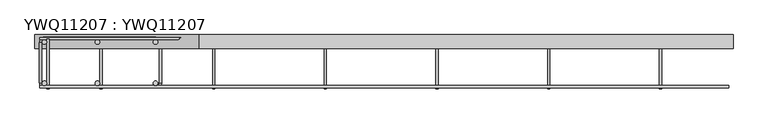
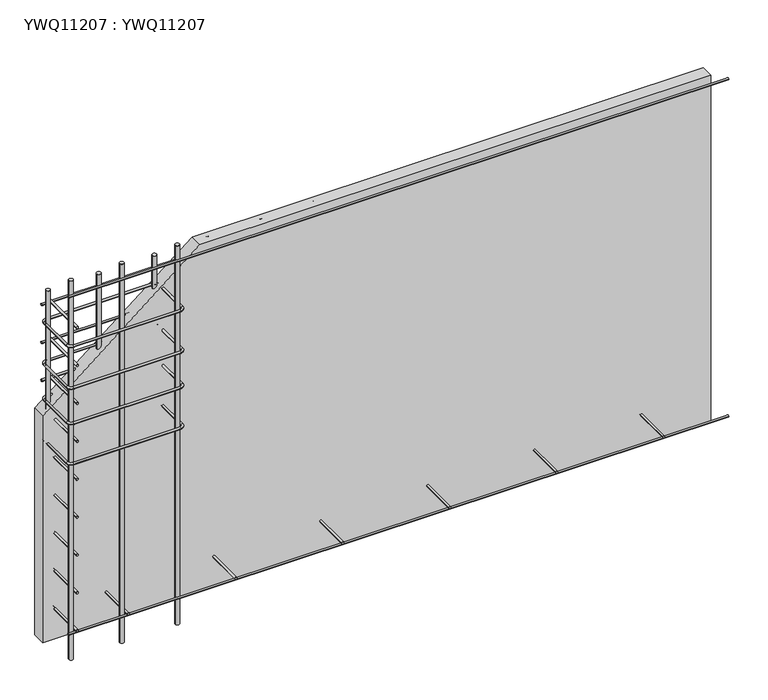
"""IFC4 building model written with IfcOpenShell, lengths in millimetres: proxy geometry, YWQ11207 : YWQ11207."""

from ifc_helpers import new_model, si_unit, point, frame, frame_2d, origin, place, context, project, spatial, polyline, circle_curve, ellipse_curve, trimmed, segment, composite_curve, outline, extrude, source, transform, mapped, element, save
from ifc_brep_helpers import cylinder_surface, revolved_surface, advanced_brep


def ywq11207_ywq11207_02961ebf(model_context):
    return source(origin(), model_context, "Body", "SolidModel", [
        advanced_brep(
        [(16.097866, -27.5425554, 595.0), (16.097866, -172.5425554, 595.0), (24.097866, -172.5425554, 595.0), (24.097866, -27.5425554, 595.0), (35.097866, -191.5425554, 595.0), (435.097866, -191.5425554, 595.0), (435.097866, -183.5425554, 595.0), (35.097866, -183.5425554, 595.0), (454.097866, -172.5425554, 595.0), (454.097866, -27.5425554, 595.0), (446.097866, -27.5425554, 595.0), (446.097866, -172.5425554, 595.0), (435.097866, -8.5425554, 595.0), (35.097866, -8.5425554, 595.0), (35.097866, -16.5425554, 595.0), (435.097866, -16.5425554, 595.0)],
        [
            (0, 1),
            (1, 2, circle_curve(frame((20.097866, -172.5425554, 595.0), z_axis=(0.0, 1.0, 0.0), x_axis=(-1.0, 0.0, 0.0)), 4.0)),
            (2, 3),
            (3, 0, circle_curve(frame((20.097866, -27.5425554, 595.0), z_axis=(0.0, -1.0, 0.0), x_axis=(-1.0, 0.0, 0.0)), 4.0)),
            (2, 1, circle_curve(frame((20.097866, -172.5425554, 595.0), z_axis=(0.0, 1.0, 0.0), x_axis=(-1.0, 0.0, 0.0)), 4.0)),
            (0, 3, circle_curve(frame((20.097866, -27.5425554, 595.0), z_axis=(0.0, -1.0, 0.0), x_axis=(-1.0, 0.0, 0.0)), 4.0)),
            (4, 5),
            (5, 6, circle_curve(frame((435.097866, -187.5425554, 595.0), z_axis=(-1.0, 0.0, 0.0), x_axis=(0.0, -1.0, 0.0)), 4.0)),
            (6, 7),
            (7, 4, circle_curve(frame((35.097866, -187.5425554, 595.0), z_axis=(1.0, 0.0, 0.0), x_axis=(0.0, -1.0, 0.0)), 4.0)),
            (6, 5, circle_curve(frame((435.097866, -187.5425554, 595.0), z_axis=(-1.0, 0.0, 0.0), x_axis=(0.0, -1.0, 0.0)), 4.0)),
            (4, 7, circle_curve(frame((35.097866, -187.5425554, 595.0), z_axis=(1.0, 0.0, 0.0), x_axis=(0.0, -1.0, 0.0)), 4.0)),
            (8, 9),
            (9, 10, circle_curve(frame((450.097866, -27.5425554, 595.0), z_axis=(0.0, -1.0, 0.0), x_axis=(1.0, 0.0, 0.0)), 4.0)),
            (10, 11),
            (11, 8, circle_curve(frame((450.097866, -172.5425554, 595.0), z_axis=(0.0, 1.0, 0.0), x_axis=(1.0, 0.0, 0.0)), 4.0)),
            (10, 9, circle_curve(frame((450.097866, -27.5425554, 595.0), z_axis=(0.0, -1.0, 0.0), x_axis=(1.0, 0.0, 0.0)), 4.0)),
            (8, 11, circle_curve(frame((450.097866, -172.5425554, 595.0), z_axis=(0.0, 1.0, 0.0), x_axis=(1.0, 0.0, 0.0)), 4.0)),
            (12, 13),
            (13, 14, circle_curve(frame((35.097866, -12.5425554, 595.0), z_axis=(1.0, 0.0, 0.0), x_axis=(0.0, 1.0, 0.0)), 4.0)),
            (14, 15),
            (15, 12, circle_curve(frame((435.097866, -12.5425554, 595.0), z_axis=(-1.0, 0.0, 0.0), x_axis=(0.0, 1.0, 0.0)), 4.0)),
            (14, 13, circle_curve(frame((35.097866, -12.5425554, 595.0), z_axis=(1.0, 0.0, 0.0), x_axis=(0.0, 1.0, 0.0)), 4.0)),
            (12, 15, circle_curve(frame((435.097866, -12.5425554, 595.0), z_axis=(-1.0, 0.0, 0.0), x_axis=(0.0, 1.0, 0.0)), 4.0)),
            (3, 14, circle_curve(frame((35.097866, -27.5425554, 595.0), z_axis=(0.0, 0.0, -1.0), x_axis=(0.0, 1.0, 0.0)), 11.0)),
            (13, 0, circle_curve(frame((35.097866, -27.5425554, 595.0), z_axis=(0.0, 0.0, 1.0), x_axis=(0.0, 1.0, 0.0)), 19.0)),
            (7, 2, circle_curve(frame((35.097866, -172.5425554, 595.0), z_axis=(0.0, 0.0, -1.0), x_axis=(-1.0, 0.0, 0.0)), 11.0)),
            (1, 4, circle_curve(frame((35.097866, -172.5425554, 595.0), z_axis=(0.0, 0.0, 1.0), x_axis=(-1.0, 0.0, 0.0)), 19.0)),
            (11, 6, circle_curve(frame((435.097866, -172.5425554, 595.0), z_axis=(0.0, 0.0, -1.0), x_axis=(0.0, -1.0, 0.0)), 11.0)),
            (5, 8, circle_curve(frame((435.097866, -172.5425554, 595.0), z_axis=(0.0, 0.0, 1.0), x_axis=(0.0, -1.0, 0.0)), 19.0)),
            (15, 10, circle_curve(frame((435.097866, -27.5425554, 595.0), z_axis=(0.0, 0.0, -1.0), x_axis=(1.0, 0.0, 0.0)), 11.0)),
            (9, 12, circle_curve(frame((435.097866, -27.5425554, 595.0), z_axis=(0.0, 0.0, 1.0), x_axis=(1.0, 0.0, 0.0)), 19.0)),
        ],
        [
            cylinder_surface(frame((20.097866, -27.5425554, 595.0), z_axis=(0.0, 1.0, 0.0), x_axis=(-1.0, 0.0, 0.0)), 4.0),
            cylinder_surface(frame((35.097866, -187.5425554, 595.0), z_axis=(-1.0, 0.0, 0.0), x_axis=(0.0, -1.0, 0.0)), 4.0),
            cylinder_surface(frame((450.097866, -172.5425554, 595.0), z_axis=(0.0, -1.0, 0.0), x_axis=(1.0, 0.0, 0.0)), 4.0),
            cylinder_surface(frame((435.097866, -12.5425554, 595.0), z_axis=(1.0, 0.0, 0.0), x_axis=(0.0, 1.0, 0.0)), 4.0),
            revolved_surface(trimmed(ellipse_curve(frame((35.097866, -12.5425554, 595.0), z_axis=(-1.0, 0.0, 0.0), x_axis=(0.0, 1.0, 0.0)), 4.0, 4.0), [point((35.097866, -16.5425554, 595.0))], [point((35.097866, -8.5425554, 595.0))], True, "CARTESIAN"), (35.097866, -27.5425554, 595.0), (0.0, 0.0, -1.0)),
            revolved_surface(trimmed(ellipse_curve(frame((35.097866, -12.5425554, 595.0), z_axis=(-1.0, 0.0, 0.0), x_axis=(0.0, 1.0, 0.0)), 4.0, 4.0), [point((35.097866, -8.5425554, 595.0))], [point((35.097866, -16.5425554, 595.0))], True, "CARTESIAN"), (35.097866, -27.5425554, 595.0), (0.0, 0.0, -1.0)),
            revolved_surface(trimmed(ellipse_curve(frame((20.097866, -172.5425554, 595.0), z_axis=(0.0, -1.0, 0.0), x_axis=(-1.0, 0.0, 0.0)), 4.0, 4.0), [point((24.097866, -172.5425554, 595.0))], [point((16.097866, -172.5425554, 595.0))], True, "CARTESIAN"), (35.097866, -172.5425554, 595.0), (0.0, 0.0, -1.0)),
            revolved_surface(trimmed(ellipse_curve(frame((20.097866, -172.5425554, 595.0), z_axis=(0.0, -1.0, 0.0), x_axis=(-1.0, 0.0, 0.0)), 4.0, 4.0), [point((16.097866, -172.5425554, 595.0))], [point((24.097866, -172.5425554, 595.0))], True, "CARTESIAN"), (35.097866, -172.5425554, 595.0), (0.0, 0.0, -1.0)),
            revolved_surface(trimmed(ellipse_curve(frame((435.097866, -187.5425554, 595.0), z_axis=(1.0, 0.0, 0.0), x_axis=(0.0, -1.0, 0.0)), 4.0, 4.0), [point((435.097866, -183.5425554, 595.0))], [point((435.097866, -191.5425554, 595.0))], True, "CARTESIAN"), (435.097866, -172.5425554, 595.0), (0.0, 0.0, -1.0)),
            revolved_surface(trimmed(ellipse_curve(frame((435.097866, -187.5425554, 595.0), z_axis=(1.0, 0.0, 0.0), x_axis=(0.0, -1.0, 0.0)), 4.0, 4.0), [point((435.097866, -191.5425554, 595.0))], [point((435.097866, -183.5425554, 595.0))], True, "CARTESIAN"), (435.097866, -172.5425554, 595.0), (0.0, 0.0, -1.0)),
            revolved_surface(trimmed(ellipse_curve(frame((450.097866, -27.5425554, 595.0), z_axis=(0.0, 1.0, 0.0), x_axis=(1.0, 0.0, 0.0)), 4.0, 4.0), [point((446.097866, -27.5425554, 595.0))], [point((454.097866, -27.5425554, 595.0))], True, "CARTESIAN"), (435.097866, -27.5425554, 595.0), (0.0, 0.0, -1.0)),
            revolved_surface(trimmed(ellipse_curve(frame((450.097866, -27.5425554, 595.0), z_axis=(0.0, 1.0, 0.0), x_axis=(1.0, 0.0, 0.0)), 4.0, 4.0), [point((454.097866, -27.5425554, 595.0))], [point((446.097866, -27.5425554, 595.0))], True, "CARTESIAN"), (435.097866, -27.5425554, 595.0), (0.0, 0.0, -1.0)),
        ],
        [
            (0, [[1, 2, 3, 4]]),
            (0, [[-3, 5, -1, 6]]),
            (1, [[7, 8, 9, 10]]),
            (1, [[-9, 11, -7, 12]]),
            (2, [[13, 14, 15, 16]]),
            (2, [[-15, 17, -13, 18]]),
            (3, [[19, 20, 21, 22]]),
            (3, [[-21, 23, -19, 24]]),
            (4, [[-4, 25, -20, 26]]),
            (5, [[-6, -26, -23, -25]]),
            (6, [[-10, 27, -2, 28]]),
            (7, [[-12, -28, -5, -27]]),
            (8, [[-16, 29, -8, 30]]),
            (9, [[-18, -30, -11, -29]]),
            (10, [[-22, 31, -14, 32]]),
            (11, [[-24, -32, -17, -31]]),
        ],
    ),
        advanced_brep(
        [(16.097866, -27.5425554, 755.0), (16.097866, -172.5425554, 755.0), (24.097866, -172.5425554, 755.0), (24.097866, -27.5425554, 755.0), (35.097866, -191.5425554, 755.0), (435.097866, -191.5425554, 755.0), (435.097866, -183.5425554, 755.0), (35.097866, -183.5425554, 755.0), (454.097866, -172.5425554, 755.0), (454.097866, -27.5425554, 755.0), (446.097866, -27.5425554, 755.0), (446.097866, -172.5425554, 755.0), (435.097866, -8.5425554, 755.0), (35.097866, -8.5425554, 755.0), (35.097866, -16.5425554, 755.0), (435.097866, -16.5425554, 755.0)],
        [
            (0, 1),
            (1, 2, circle_curve(frame((20.097866, -172.5425554, 755.0), z_axis=(0.0, 1.0, 0.0), x_axis=(-1.0, 0.0, 0.0)), 4.0)),
            (2, 3),
            (3, 0, circle_curve(frame((20.097866, -27.5425554, 755.0), z_axis=(0.0, -1.0, 0.0), x_axis=(-1.0, 0.0, 0.0)), 4.0)),
            (2, 1, circle_curve(frame((20.097866, -172.5425554, 755.0), z_axis=(0.0, 1.0, 0.0), x_axis=(-1.0, 0.0, 0.0)), 4.0)),
            (0, 3, circle_curve(frame((20.097866, -27.5425554, 755.0), z_axis=(0.0, -1.0, 0.0), x_axis=(-1.0, 0.0, 0.0)), 4.0)),
            (4, 5),
            (5, 6, circle_curve(frame((435.097866, -187.5425554, 755.0), z_axis=(-1.0, 0.0, 0.0), x_axis=(0.0, -1.0, 0.0)), 4.0)),
            (6, 7),
            (7, 4, circle_curve(frame((35.097866, -187.5425554, 755.0), z_axis=(1.0, 0.0, 0.0), x_axis=(0.0, -1.0, 0.0)), 4.0)),
            (6, 5, circle_curve(frame((435.097866, -187.5425554, 755.0), z_axis=(-1.0, 0.0, 0.0), x_axis=(0.0, -1.0, 0.0)), 4.0)),
            (4, 7, circle_curve(frame((35.097866, -187.5425554, 755.0), z_axis=(1.0, 0.0, 0.0), x_axis=(0.0, -1.0, 0.0)), 4.0)),
            (8, 9),
            (9, 10, circle_curve(frame((450.097866, -27.5425554, 755.0), z_axis=(0.0, -1.0, 0.0), x_axis=(1.0, 0.0, 0.0)), 4.0)),
            (10, 11),
            (11, 8, circle_curve(frame((450.097866, -172.5425554, 755.0), z_axis=(0.0, 1.0, 0.0), x_axis=(1.0, 0.0, 0.0)), 4.0)),
            (10, 9, circle_curve(frame((450.097866, -27.5425554, 755.0), z_axis=(0.0, -1.0, 0.0), x_axis=(1.0, 0.0, 0.0)), 4.0)),
            (8, 11, circle_curve(frame((450.097866, -172.5425554, 755.0), z_axis=(0.0, 1.0, 0.0), x_axis=(1.0, 0.0, 0.0)), 4.0)),
            (12, 13),
            (13, 14, circle_curve(frame((35.097866, -12.5425554, 755.0), z_axis=(1.0, 0.0, 0.0), x_axis=(0.0, 1.0, 0.0)), 4.0)),
            (14, 15),
            (15, 12, circle_curve(frame((435.097866, -12.5425554, 755.0), z_axis=(-1.0, 0.0, 0.0), x_axis=(0.0, 1.0, 0.0)), 4.0)),
            (14, 13, circle_curve(frame((35.097866, -12.5425554, 755.0), z_axis=(1.0, 0.0, 0.0), x_axis=(0.0, 1.0, 0.0)), 4.0)),
            (12, 15, circle_curve(frame((435.097866, -12.5425554, 755.0), z_axis=(-1.0, 0.0, 0.0), x_axis=(0.0, 1.0, 0.0)), 4.0)),
            (3, 14, circle_curve(frame((35.097866, -27.5425554, 755.0), z_axis=(0.0, 0.0, -1.0), x_axis=(0.0, 1.0, 0.0)), 11.0)),
            (13, 0, circle_curve(frame((35.097866, -27.5425554, 755.0), z_axis=(0.0, 0.0, 1.0), x_axis=(0.0, 1.0, 0.0)), 19.0)),
            (7, 2, circle_curve(frame((35.097866, -172.5425554, 755.0), z_axis=(0.0, 0.0, -1.0), x_axis=(-1.0, 0.0, 0.0)), 11.0)),
            (1, 4, circle_curve(frame((35.097866, -172.5425554, 755.0), z_axis=(0.0, 0.0, 1.0), x_axis=(-1.0, 0.0, 0.0)), 19.0)),
            (11, 6, circle_curve(frame((435.097866, -172.5425554, 755.0), z_axis=(0.0, 0.0, -1.0), x_axis=(0.0, -1.0, 0.0)), 11.0)),
            (5, 8, circle_curve(frame((435.097866, -172.5425554, 755.0), z_axis=(0.0, 0.0, 1.0), x_axis=(0.0, -1.0, 0.0)), 19.0)),
            (15, 10, circle_curve(frame((435.097866, -27.5425554, 755.0), z_axis=(0.0, 0.0, -1.0), x_axis=(1.0, 0.0, 0.0)), 11.0)),
            (9, 12, circle_curve(frame((435.097866, -27.5425554, 755.0), z_axis=(0.0, 0.0, 1.0), x_axis=(1.0, 0.0, 0.0)), 19.0)),
        ],
        [
            cylinder_surface(frame((20.097866, -27.5425554, 755.0), z_axis=(0.0, 1.0, 0.0), x_axis=(-1.0, 0.0, 0.0)), 4.0),
            cylinder_surface(frame((35.097866, -187.5425554, 755.0), z_axis=(-1.0, 0.0, 0.0), x_axis=(0.0, -1.0, 0.0)), 4.0),
            cylinder_surface(frame((450.097866, -172.5425554, 755.0), z_axis=(0.0, -1.0, 0.0), x_axis=(1.0, 0.0, 0.0)), 4.0),
            cylinder_surface(frame((435.097866, -12.5425554, 755.0), z_axis=(1.0, 0.0, 0.0), x_axis=(0.0, 1.0, 0.0)), 4.0),
            revolved_surface(trimmed(ellipse_curve(frame((35.097866, -12.5425554, 755.0), z_axis=(-1.0, 0.0, 0.0), x_axis=(0.0, 1.0, 0.0)), 4.0, 4.0), [point((35.097866, -16.5425554, 755.0))], [point((35.097866, -8.5425554, 755.0))], True, "CARTESIAN"), (35.097866, -27.5425554, 755.0), (0.0, 0.0, -1.0)),
            revolved_surface(trimmed(ellipse_curve(frame((35.097866, -12.5425554, 755.0), z_axis=(-1.0, 0.0, 0.0), x_axis=(0.0, 1.0, 0.0)), 4.0, 4.0), [point((35.097866, -8.5425554, 755.0))], [point((35.097866, -16.5425554, 755.0))], True, "CARTESIAN"), (35.097866, -27.5425554, 755.0), (0.0, 0.0, -1.0)),
            revolved_surface(trimmed(ellipse_curve(frame((20.097866, -172.5425554, 755.0), z_axis=(0.0, -1.0, 0.0), x_axis=(-1.0, 0.0, 0.0)), 4.0, 4.0), [point((24.097866, -172.5425554, 755.0))], [point((16.097866, -172.5425554, 755.0))], True, "CARTESIAN"), (35.097866, -172.5425554, 755.0), (0.0, 0.0, -1.0)),
            revolved_surface(trimmed(ellipse_curve(frame((20.097866, -172.5425554, 755.0), z_axis=(0.0, -1.0, 0.0), x_axis=(-1.0, 0.0, 0.0)), 4.0, 4.0), [point((16.097866, -172.5425554, 755.0))], [point((24.097866, -172.5425554, 755.0))], True, "CARTESIAN"), (35.097866, -172.5425554, 755.0), (0.0, 0.0, -1.0)),
            revolved_surface(trimmed(ellipse_curve(frame((435.097866, -187.5425554, 755.0), z_axis=(1.0, 0.0, 0.0), x_axis=(0.0, -1.0, 0.0)), 4.0, 4.0), [point((435.097866, -183.5425554, 755.0))], [point((435.097866, -191.5425554, 755.0))], True, "CARTESIAN"), (435.097866, -172.5425554, 755.0), (0.0, 0.0, -1.0)),
            revolved_surface(trimmed(ellipse_curve(frame((435.097866, -187.5425554, 755.0), z_axis=(1.0, 0.0, 0.0), x_axis=(0.0, -1.0, 0.0)), 4.0, 4.0), [point((435.097866, -191.5425554, 755.0))], [point((435.097866, -183.5425554, 755.0))], True, "CARTESIAN"), (435.097866, -172.5425554, 755.0), (0.0, 0.0, -1.0)),
            revolved_surface(trimmed(ellipse_curve(frame((450.097866, -27.5425554, 755.0), z_axis=(0.0, 1.0, 0.0), x_axis=(1.0, 0.0, 0.0)), 4.0, 4.0), [point((446.097866, -27.5425554, 755.0))], [point((454.097866, -27.5425554, 755.0))], True, "CARTESIAN"), (435.097866, -27.5425554, 755.0), (0.0, 0.0, -1.0)),
            revolved_surface(trimmed(ellipse_curve(frame((450.097866, -27.5425554, 755.0), z_axis=(0.0, 1.0, 0.0), x_axis=(1.0, 0.0, 0.0)), 4.0, 4.0), [point((454.097866, -27.5425554, 755.0))], [point((446.097866, -27.5425554, 755.0))], True, "CARTESIAN"), (435.097866, -27.5425554, 755.0), (0.0, 0.0, -1.0)),
        ],
        [
            (0, [[1, 2, 3, 4]]),
            (0, [[-3, 5, -1, 6]]),
            (1, [[7, 8, 9, 10]]),
            (1, [[-9, 11, -7, 12]]),
            (2, [[13, 14, 15, 16]]),
            (2, [[-15, 17, -13, 18]]),
            (3, [[19, 20, 21, 22]]),
            (3, [[-21, 23, -19, 24]]),
            (4, [[-4, 25, -20, 26]]),
            (5, [[-6, -26, -23, -25]]),
            (6, [[-10, 27, -2, 28]]),
            (7, [[-12, -28, -5, -27]]),
            (8, [[-16, 29, -8, 30]]),
            (9, [[-18, -30, -11, -29]]),
            (10, [[-22, 31, -14, 32]]),
            (11, [[-24, -32, -17, -31]]),
        ],
    ),
        advanced_brep(
        [(16.097866, -27.5425554, 895.0), (16.097866, -172.5425554, 895.0), (24.097866, -172.5425554, 895.0), (24.097866, -27.5425554, 895.0), (35.097866, -191.5425554, 895.0), (435.097866, -191.5425554, 895.0), (435.097866, -183.5425554, 895.0), (35.097866, -183.5425554, 895.0), (454.097866, -172.5425554, 895.0), (454.097866, -27.5425554, 895.0), (446.097866, -27.5425554, 895.0), (446.097866, -172.5425554, 895.0), (435.097866, -8.5425554, 895.0), (35.097866, -8.5425554, 895.0), (35.097866, -16.5425554, 895.0), (435.097866, -16.5425554, 895.0)],
        [
            (0, 1),
            (1, 2, circle_curve(frame((20.097866, -172.5425554, 895.0), z_axis=(0.0, 1.0, 0.0), x_axis=(-1.0, 0.0, 0.0)), 4.0)),
            (2, 3),
            (3, 0, circle_curve(frame((20.097866, -27.5425554, 895.0), z_axis=(0.0, -1.0, 0.0), x_axis=(-1.0, 0.0, 0.0)), 4.0)),
            (2, 1, circle_curve(frame((20.097866, -172.5425554, 895.0), z_axis=(0.0, 1.0, 0.0), x_axis=(-1.0, 0.0, 0.0)), 4.0)),
            (0, 3, circle_curve(frame((20.097866, -27.5425554, 895.0), z_axis=(0.0, -1.0, 0.0), x_axis=(-1.0, 0.0, 0.0)), 4.0)),
            (4, 5),
            (5, 6, circle_curve(frame((435.097866, -187.5425554, 895.0), z_axis=(-1.0, 0.0, 0.0), x_axis=(0.0, -1.0, 0.0)), 4.0)),
            (6, 7),
            (7, 4, circle_curve(frame((35.097866, -187.5425554, 895.0), z_axis=(1.0, 0.0, 0.0), x_axis=(0.0, -1.0, 0.0)), 4.0)),
            (6, 5, circle_curve(frame((435.097866, -187.5425554, 895.0), z_axis=(-1.0, 0.0, 0.0), x_axis=(0.0, -1.0, 0.0)), 4.0)),
            (4, 7, circle_curve(frame((35.097866, -187.5425554, 895.0), z_axis=(1.0, 0.0, 0.0), x_axis=(0.0, -1.0, 0.0)), 4.0)),
            (8, 9),
            (9, 10, circle_curve(frame((450.097866, -27.5425554, 895.0), z_axis=(0.0, -1.0, 0.0), x_axis=(1.0, 0.0, 0.0)), 4.0)),
            (10, 11),
            (11, 8, circle_curve(frame((450.097866, -172.5425554, 895.0), z_axis=(0.0, 1.0, 0.0), x_axis=(1.0, 0.0, 0.0)), 4.0)),
            (10, 9, circle_curve(frame((450.097866, -27.5425554, 895.0), z_axis=(0.0, -1.0, 0.0), x_axis=(1.0, 0.0, 0.0)), 4.0)),
            (8, 11, circle_curve(frame((450.097866, -172.5425554, 895.0), z_axis=(0.0, 1.0, 0.0), x_axis=(1.0, 0.0, 0.0)), 4.0)),
            (12, 13),
            (13, 14, circle_curve(frame((35.097866, -12.5425554, 895.0), z_axis=(1.0, 0.0, 0.0), x_axis=(0.0, 1.0, 0.0)), 4.0)),
            (14, 15),
            (15, 12, circle_curve(frame((435.097866, -12.5425554, 895.0), z_axis=(-1.0, 0.0, 0.0), x_axis=(0.0, 1.0, 0.0)), 4.0)),
            (14, 13, circle_curve(frame((35.097866, -12.5425554, 895.0), z_axis=(1.0, 0.0, 0.0), x_axis=(0.0, 1.0, 0.0)), 4.0)),
            (12, 15, circle_curve(frame((435.097866, -12.5425554, 895.0), z_axis=(-1.0, 0.0, 0.0), x_axis=(0.0, 1.0, 0.0)), 4.0)),
            (3, 14, circle_curve(frame((35.097866, -27.5425554, 895.0), z_axis=(0.0, 0.0, -1.0), x_axis=(0.0, 1.0, 0.0)), 11.0)),
            (13, 0, circle_curve(frame((35.097866, -27.5425554, 895.0), z_axis=(0.0, 0.0, 1.0), x_axis=(0.0, 1.0, 0.0)), 19.0)),
            (7, 2, circle_curve(frame((35.097866, -172.5425554, 895.0), z_axis=(0.0, 0.0, -1.0), x_axis=(-1.0, 0.0, 0.0)), 11.0)),
            (1, 4, circle_curve(frame((35.097866, -172.5425554, 895.0), z_axis=(0.0, 0.0, 1.0), x_axis=(-1.0, 0.0, 0.0)), 19.0)),
            (11, 6, circle_curve(frame((435.097866, -172.5425554, 895.0), z_axis=(0.0, 0.0, -1.0), x_axis=(0.0, -1.0, 0.0)), 11.0)),
            (5, 8, circle_curve(frame((435.097866, -172.5425554, 895.0), z_axis=(0.0, 0.0, 1.0), x_axis=(0.0, -1.0, 0.0)), 19.0)),
            (15, 10, circle_curve(frame((435.097866, -27.5425554, 895.0), z_axis=(0.0, 0.0, -1.0), x_axis=(1.0, 0.0, 0.0)), 11.0)),
            (9, 12, circle_curve(frame((435.097866, -27.5425554, 895.0), z_axis=(0.0, 0.0, 1.0), x_axis=(1.0, 0.0, 0.0)), 19.0)),
        ],
        [
            cylinder_surface(frame((20.097866, -27.5425554, 895.0), z_axis=(0.0, 1.0, 0.0), x_axis=(-1.0, 0.0, 0.0)), 4.0),
            cylinder_surface(frame((35.097866, -187.5425554, 895.0), z_axis=(-1.0, 0.0, 0.0), x_axis=(0.0, -1.0, 0.0)), 4.0),
            cylinder_surface(frame((450.097866, -172.5425554, 895.0), z_axis=(0.0, -1.0, 0.0), x_axis=(1.0, 0.0, 0.0)), 4.0),
            cylinder_surface(frame((435.097866, -12.5425554, 895.0), z_axis=(1.0, 0.0, 0.0), x_axis=(0.0, 1.0, 0.0)), 4.0),
            revolved_surface(trimmed(ellipse_curve(frame((35.097866, -12.5425554, 895.0), z_axis=(-1.0, 0.0, 0.0), x_axis=(0.0, 1.0, 0.0)), 4.0, 4.0), [point((35.097866, -16.5425554, 895.0))], [point((35.097866, -8.5425554, 895.0))], True, "CARTESIAN"), (35.097866, -27.5425554, 895.0), (0.0, 0.0, -1.0)),
            revolved_surface(trimmed(ellipse_curve(frame((35.097866, -12.5425554, 895.0), z_axis=(-1.0, 0.0, 0.0), x_axis=(0.0, 1.0, 0.0)), 4.0, 4.0), [point((35.097866, -8.5425554, 895.0))], [point((35.097866, -16.5425554, 895.0))], True, "CARTESIAN"), (35.097866, -27.5425554, 895.0), (0.0, 0.0, -1.0)),
            revolved_surface(trimmed(ellipse_curve(frame((20.097866, -172.5425554, 895.0), z_axis=(0.0, -1.0, 0.0), x_axis=(-1.0, 0.0, 0.0)), 4.0, 4.0), [point((24.097866, -172.5425554, 895.0))], [point((16.097866, -172.5425554, 895.0))], True, "CARTESIAN"), (35.097866, -172.5425554, 895.0), (0.0, 0.0, -1.0)),
            revolved_surface(trimmed(ellipse_curve(frame((20.097866, -172.5425554, 895.0), z_axis=(0.0, -1.0, 0.0), x_axis=(-1.0, 0.0, 0.0)), 4.0, 4.0), [point((16.097866, -172.5425554, 895.0))], [point((24.097866, -172.5425554, 895.0))], True, "CARTESIAN"), (35.097866, -172.5425554, 895.0), (0.0, 0.0, -1.0)),
            revolved_surface(trimmed(ellipse_curve(frame((435.097866, -187.5425554, 895.0), z_axis=(1.0, 0.0, 0.0), x_axis=(0.0, -1.0, 0.0)), 4.0, 4.0), [point((435.097866, -183.5425554, 895.0))], [point((435.097866, -191.5425554, 895.0))], True, "CARTESIAN"), (435.097866, -172.5425554, 895.0), (0.0, 0.0, -1.0)),
            revolved_surface(trimmed(ellipse_curve(frame((435.097866, -187.5425554, 895.0), z_axis=(1.0, 0.0, 0.0), x_axis=(0.0, -1.0, 0.0)), 4.0, 4.0), [point((435.097866, -191.5425554, 895.0))], [point((435.097866, -183.5425554, 895.0))], True, "CARTESIAN"), (435.097866, -172.5425554, 895.0), (0.0, 0.0, -1.0)),
            revolved_surface(trimmed(ellipse_curve(frame((450.097866, -27.5425554, 895.0), z_axis=(0.0, 1.0, 0.0), x_axis=(1.0, 0.0, 0.0)), 4.0, 4.0), [point((446.097866, -27.5425554, 895.0))], [point((454.097866, -27.5425554, 895.0))], True, "CARTESIAN"), (435.097866, -27.5425554, 895.0), (0.0, 0.0, -1.0)),
            revolved_surface(trimmed(ellipse_curve(frame((450.097866, -27.5425554, 895.0), z_axis=(0.0, 1.0, 0.0), x_axis=(1.0, 0.0, 0.0)), 4.0, 4.0), [point((454.097866, -27.5425554, 895.0))], [point((446.097866, -27.5425554, 895.0))], True, "CARTESIAN"), (435.097866, -27.5425554, 895.0), (0.0, 0.0, -1.0)),
        ],
        [
            (0, [[1, 2, 3, 4]]),
            (0, [[-3, 5, -1, 6]]),
            (1, [[7, 8, 9, 10]]),
            (1, [[-9, 11, -7, 12]]),
            (2, [[13, 14, 15, 16]]),
            (2, [[-15, 17, -13, 18]]),
            (3, [[19, 20, 21, 22]]),
            (3, [[-21, 23, -19, 24]]),
            (4, [[-4, 25, -20, 26]]),
            (5, [[-6, -26, -23, -25]]),
            (6, [[-10, 27, -2, 28]]),
            (7, [[-12, -28, -5, -27]]),
            (8, [[-16, 29, -8, 30]]),
            (9, [[-18, -30, -11, -29]]),
            (10, [[-22, 31, -14, 32]]),
            (11, [[-24, -32, -17, -31]]),
        ],
    ),
        advanced_brep(
        [(16.097866, -27.5425554, 1060.0), (16.097866, -172.5425554, 1060.0), (24.097866, -172.5425554, 1060.0), (24.097866, -27.5425554, 1060.0), (35.097866, -191.5425554, 1060.0), (435.097866, -191.5425554, 1060.0), (435.097866, -183.5425554, 1060.0), (35.097866, -183.5425554, 1060.0), (454.097866, -172.5425554, 1060.0), (454.097866, -27.5425554, 1060.0), (446.097866, -27.5425554, 1060.0), (446.097866, -172.5425554, 1060.0), (435.097866, -8.5425554, 1060.0), (35.097866, -8.5425554, 1060.0), (35.097866, -16.5425554, 1060.0), (435.097866, -16.5425554, 1060.0)],
        [
            (0, 1),
            (1, 2, circle_curve(frame((20.097866, -172.5425554, 1060.0), z_axis=(0.0, 1.0, 0.0), x_axis=(-1.0, 0.0, 0.0)), 4.0)),
            (2, 3),
            (3, 0, circle_curve(frame((20.097866, -27.5425554, 1060.0), z_axis=(0.0, -1.0, 0.0), x_axis=(-1.0, 0.0, 0.0)), 4.0)),
            (2, 1, circle_curve(frame((20.097866, -172.5425554, 1060.0), z_axis=(0.0, 1.0, 0.0), x_axis=(-1.0, 0.0, 0.0)), 4.0)),
            (0, 3, circle_curve(frame((20.097866, -27.5425554, 1060.0), z_axis=(0.0, -1.0, 0.0), x_axis=(-1.0, 0.0, 0.0)), 4.0)),
            (4, 5),
            (5, 6, circle_curve(frame((435.097866, -187.5425554, 1060.0), z_axis=(-1.0, 0.0, 0.0), x_axis=(0.0, -1.0, 0.0)), 4.0)),
            (6, 7),
            (7, 4, circle_curve(frame((35.097866, -187.5425554, 1060.0), z_axis=(1.0, 0.0, 0.0), x_axis=(0.0, -1.0, 0.0)), 4.0)),
            (6, 5, circle_curve(frame((435.097866, -187.5425554, 1060.0), z_axis=(-1.0, 0.0, 0.0), x_axis=(0.0, -1.0, 0.0)), 4.0)),
            (4, 7, circle_curve(frame((35.097866, -187.5425554, 1060.0), z_axis=(1.0, 0.0, 0.0), x_axis=(0.0, -1.0, 0.0)), 4.0)),
            (8, 9),
            (9, 10, circle_curve(frame((450.097866, -27.5425554, 1060.0), z_axis=(0.0, -1.0, 0.0), x_axis=(1.0, 0.0, 0.0)), 4.0)),
            (10, 11),
            (11, 8, circle_curve(frame((450.097866, -172.5425554, 1060.0), z_axis=(0.0, 1.0, 0.0), x_axis=(1.0, 0.0, 0.0)), 4.0)),
            (10, 9, circle_curve(frame((450.097866, -27.5425554, 1060.0), z_axis=(0.0, -1.0, 0.0), x_axis=(1.0, 0.0, 0.0)), 4.0)),
            (8, 11, circle_curve(frame((450.097866, -172.5425554, 1060.0), z_axis=(0.0, 1.0, 0.0), x_axis=(1.0, 0.0, 0.0)), 4.0)),
            (12, 13),
            (13, 14, circle_curve(frame((35.097866, -12.5425554, 1060.0), z_axis=(1.0, 0.0, 0.0), x_axis=(0.0, 1.0, 0.0)), 4.0)),
            (14, 15),
            (15, 12, circle_curve(frame((435.097866, -12.5425554, 1060.0), z_axis=(-1.0, 0.0, 0.0), x_axis=(0.0, 1.0, 0.0)), 4.0)),
            (14, 13, circle_curve(frame((35.097866, -12.5425554, 1060.0), z_axis=(1.0, 0.0, 0.0), x_axis=(0.0, 1.0, 0.0)), 4.0)),
            (12, 15, circle_curve(frame((435.097866, -12.5425554, 1060.0), z_axis=(-1.0, 0.0, 0.0), x_axis=(0.0, 1.0, 0.0)), 4.0)),
            (3, 14, circle_curve(frame((35.097866, -27.5425554, 1060.0), z_axis=(0.0, 0.0, -1.0), x_axis=(0.0, 1.0, 0.0)), 11.0)),
            (13, 0, circle_curve(frame((35.097866, -27.5425554, 1060.0), z_axis=(0.0, 0.0, 1.0), x_axis=(0.0, 1.0, 0.0)), 19.0)),
            (7, 2, circle_curve(frame((35.097866, -172.5425554, 1060.0), z_axis=(0.0, 0.0, -1.0), x_axis=(-1.0, 0.0, 0.0)), 11.0)),
            (1, 4, circle_curve(frame((35.097866, -172.5425554, 1060.0), z_axis=(0.0, 0.0, 1.0), x_axis=(-1.0, 0.0, 0.0)), 19.0)),
            (11, 6, circle_curve(frame((435.097866, -172.5425554, 1060.0), z_axis=(0.0, 0.0, -1.0), x_axis=(0.0, -1.0, 0.0)), 11.0)),
            (5, 8, circle_curve(frame((435.097866, -172.5425554, 1060.0), z_axis=(0.0, 0.0, 1.0), x_axis=(0.0, -1.0, 0.0)), 19.0)),
            (15, 10, circle_curve(frame((435.097866, -27.5425554, 1060.0), z_axis=(0.0, 0.0, -1.0), x_axis=(1.0, 0.0, 0.0)), 11.0)),
            (9, 12, circle_curve(frame((435.097866, -27.5425554, 1060.0), z_axis=(0.0, 0.0, 1.0), x_axis=(1.0, 0.0, 0.0)), 19.0)),
        ],
        [
            cylinder_surface(frame((20.097866, -27.5425554, 1060.0), z_axis=(0.0, 1.0, 0.0), x_axis=(-1.0, 0.0, 0.0)), 4.0),
            cylinder_surface(frame((35.097866, -187.5425554, 1060.0), z_axis=(-1.0, 0.0, 0.0), x_axis=(0.0, -1.0, 0.0)), 4.0),
            cylinder_surface(frame((450.097866, -172.5425554, 1060.0), z_axis=(0.0, -1.0, 0.0), x_axis=(1.0, 0.0, 0.0)), 4.0),
            cylinder_surface(frame((435.097866, -12.5425554, 1060.0), z_axis=(1.0, 0.0, 0.0), x_axis=(0.0, 1.0, 0.0)), 4.0),
            revolved_surface(trimmed(ellipse_curve(frame((35.097866, -12.5425554, 1060.0), z_axis=(-1.0, 0.0, 0.0), x_axis=(0.0, 1.0, 0.0)), 4.0, 4.0), [point((35.097866, -16.5425554, 1060.0))], [point((35.097866, -8.5425554, 1060.0))], True, "CARTESIAN"), (35.097866, -27.5425554, 1060.0), (0.0, 0.0, -1.0)),
            revolved_surface(trimmed(ellipse_curve(frame((35.097866, -12.5425554, 1060.0), z_axis=(-1.0, 0.0, 0.0), x_axis=(0.0, 1.0, 0.0)), 4.0, 4.0), [point((35.097866, -8.5425554, 1060.0))], [point((35.097866, -16.5425554, 1060.0))], True, "CARTESIAN"), (35.097866, -27.5425554, 1060.0), (0.0, 0.0, -1.0)),
            revolved_surface(trimmed(ellipse_curve(frame((20.097866, -172.5425554, 1060.0), z_axis=(0.0, -1.0, 0.0), x_axis=(-1.0, 0.0, 0.0)), 4.0, 4.0), [point((24.097866, -172.5425554, 1060.0))], [point((16.097866, -172.5425554, 1060.0))], True, "CARTESIAN"), (35.097866, -172.5425554, 1060.0), (0.0, 0.0, -1.0)),
            revolved_surface(trimmed(ellipse_curve(frame((20.097866, -172.5425554, 1060.0), z_axis=(0.0, -1.0, 0.0), x_axis=(-1.0, 0.0, 0.0)), 4.0, 4.0), [point((16.097866, -172.5425554, 1060.0))], [point((24.097866, -172.5425554, 1060.0))], True, "CARTESIAN"), (35.097866, -172.5425554, 1060.0), (0.0, 0.0, -1.0)),
            revolved_surface(trimmed(ellipse_curve(frame((435.097866, -187.5425554, 1060.0), z_axis=(1.0, 0.0, 0.0), x_axis=(0.0, -1.0, 0.0)), 4.0, 4.0), [point((435.097866, -183.5425554, 1060.0))], [point((435.097866, -191.5425554, 1060.0))], True, "CARTESIAN"), (435.097866, -172.5425554, 1060.0), (0.0, 0.0, -1.0)),
            revolved_surface(trimmed(ellipse_curve(frame((435.097866, -187.5425554, 1060.0), z_axis=(1.0, 0.0, 0.0), x_axis=(0.0, -1.0, 0.0)), 4.0, 4.0), [point((435.097866, -191.5425554, 1060.0))], [point((435.097866, -183.5425554, 1060.0))], True, "CARTESIAN"), (435.097866, -172.5425554, 1060.0), (0.0, 0.0, -1.0)),
            revolved_surface(trimmed(ellipse_curve(frame((450.097866, -27.5425554, 1060.0), z_axis=(0.0, 1.0, 0.0), x_axis=(1.0, 0.0, 0.0)), 4.0, 4.0), [point((446.097866, -27.5425554, 1060.0))], [point((454.097866, -27.5425554, 1060.0))], True, "CARTESIAN"), (435.097866, -27.5425554, 1060.0), (0.0, 0.0, -1.0)),
            revolved_surface(trimmed(ellipse_curve(frame((450.097866, -27.5425554, 1060.0), z_axis=(0.0, 1.0, 0.0), x_axis=(1.0, 0.0, 0.0)), 4.0, 4.0), [point((454.097866, -27.5425554, 1060.0))], [point((446.097866, -27.5425554, 1060.0))], True, "CARTESIAN"), (435.097866, -27.5425554, 1060.0), (0.0, 0.0, -1.0)),
        ],
        [
            (0, [[1, 2, 3, 4]]),
            (0, [[-3, 5, -1, 6]]),
            (1, [[7, 8, 9, 10]]),
            (1, [[-9, 11, -7, 12]]),
            (2, [[13, 14, 15, 16]]),
            (2, [[-15, 17, -13, 18]]),
            (3, [[19, 20, 21, 22]]),
            (3, [[-21, 23, -19, 24]]),
            (4, [[-4, 25, -20, 26]]),
            (5, [[-6, -26, -23, -25]]),
            (6, [[-10, 27, -2, 28]]),
            (7, [[-12, -28, -5, -27]]),
            (8, [[-16, 29, -8, 30]]),
            (9, [[-18, -30, -11, -29]]),
            (10, [[-22, 31, -14, 32]]),
            (11, [[-24, -32, -17, -31]]),
        ],
    ),
        extrude(outline(composite_curve([segment(trimmed(circle_curve(frame_2d((-186.6819711, 1260.0)), 4.0), [point((-190.6819711, 1260.0))], [point((-182.6819711, 1260.0))], False, "CARTESIAN"), True, "CONTINUOUS"), segment(trimmed(circle_curve(frame_2d((-186.6819711, 1260.0)), 4.0), [point((-182.6819711, 1260.0))], [point((-190.6819711, 1260.0))], False, "CARTESIAN"), True, "CONTINUOUS")], self_intersect=False)), frame((17.095785, 0.0, 0.0), z_axis=(1.0, 0.0, 0.0), x_axis=(0.0, 1.0, 0.0)), (0.0, 0.0, 1.0), 2467.904215),
        extrude(outline(polyline([(1185.0, 2500.0), (1185.0, 588.0763184), (712.8644813, 0.0), (-185.0, 0.0), (-185.0, 2500.0), (1185.0, 2500.0)])), frame((0.0, -50.0, 0.0), z_axis=(0.0, 1.0, 0.0), x_axis=(0.0, 0.0, 1.0)), (0.0, 0.0, 1.0), 50.0),
        extrude(outline(composite_curve([segment(trimmed(circle_curve(frame_2d((-66.9563489, 45.993039)), 4.0), [point((-66.9563489, 41.993039))], [point((-66.9563489, 49.993039))], False, "CARTESIAN"), True, "CONTINUOUS"), segment(trimmed(circle_curve(frame_2d((-66.9563489, 45.993039)), 4.0), [point((-66.9563489, 49.993039))], [point((-66.9563489, 41.993039))], False, "CARTESIAN"), True, "CONTINUOUS")], self_intersect=False)), frame((0.0, -194.0716324, 0.0), z_axis=(0.0, 1.0, 0.0), x_axis=(0.0, 0.0, 1.0)), (0.0, 0.0, 1.0), 178.7626126),
        extrude(outline(composite_curve([segment(trimmed(circle_curve(frame_2d((-13.3180289, -75.0)), 4.0), [point((-9.3180289, -75.0))], [point((-17.3180289, -75.0))], False, "CARTESIAN"), True, "CONTINUOUS"), segment(trimmed(circle_curve(frame_2d((-13.3180289, -75.0)), 4.0), [point((-17.3180289, -75.0))], [point((-9.3180289, -75.0))], False, "CARTESIAN"), True, "CONTINUOUS")], self_intersect=False)), frame((17.095785, 0.0, 0.0), z_axis=(1.0, 0.0, 0.0), x_axis=(0.0, 1.0, 0.0)), (0.0, 0.0, 1.0), 2467.904215),
        extrude(outline(composite_curve([segment(trimmed(circle_curve(frame_2d((-66.9563489, 236.993039)), 4.0), [point((-66.9563489, 232.993039))], [point((-66.9563489, 240.993039))], False, "CARTESIAN"), True, "CONTINUOUS"), segment(trimmed(circle_curve(frame_2d((-66.9563489, 236.993039)), 4.0), [point((-66.9563489, 240.993039))], [point((-66.9563489, 232.993039))], False, "CARTESIAN"), True, "CONTINUOUS")], self_intersect=False)), frame((0.0, -194.0716324, 0.0), z_axis=(0.0, 1.0, 0.0), x_axis=(0.0, 0.0, 1.0)), (0.0, 0.0, 1.0), 178.7626126),
        extrude(outline(composite_curve([segment(trimmed(circle_curve(frame_2d((-66.9563489, 639.993039)), 4.0), [point((-66.9563489, 635.993039))], [point((-66.9563489, 643.993039))], False, "CARTESIAN"), True, "CONTINUOUS"), segment(trimmed(circle_curve(frame_2d((-66.9563489, 639.993039)), 4.0), [point((-66.9563489, 643.993039))], [point((-66.9563489, 635.993039))], False, "CARTESIAN"), True, "CONTINUOUS")], self_intersect=False)), frame((0.0, -194.0716324, 0.0), z_axis=(0.0, 1.0, 0.0), x_axis=(0.0, 0.0, 1.0)), (0.0, 0.0, 1.0), 178.7626126),
        extrude(outline(composite_curve([segment(trimmed(circle_curve(frame_2d((-66.9563489, 1039.993039)), 4.0), [point((-66.9563489, 1035.993039))], [point((-66.9563489, 1043.993039))], False, "CARTESIAN"), True, "CONTINUOUS"), segment(trimmed(circle_curve(frame_2d((-66.9563489, 1039.993039)), 4.0), [point((-66.9563489, 1043.993039))], [point((-66.9563489, 1035.993039))], False, "CARTESIAN"), True, "CONTINUOUS")], self_intersect=False)), frame((0.0, -194.0716324, 0.0), z_axis=(0.0, 1.0, 0.0), x_axis=(0.0, 0.0, 1.0)), (0.0, 0.0, 1.0), 178.7626126),
        extrude(outline(composite_curve([segment(trimmed(circle_curve(frame_2d((-66.9563489, 1439.993039)), 4.0), [point((-66.9563489, 1435.993039))], [point((-66.9563489, 1443.993039))], False, "CARTESIAN"), True, "CONTINUOUS"), segment(trimmed(circle_curve(frame_2d((-66.9563489, 1439.993039)), 4.0), [point((-66.9563489, 1443.993039))], [point((-66.9563489, 1435.993039))], False, "CARTESIAN"), True, "CONTINUOUS")], self_intersect=False)), frame((0.0, -194.0716324, 0.0), z_axis=(0.0, 1.0, 0.0), x_axis=(0.0, 0.0, 1.0)), (0.0, 0.0, 1.0), 178.7626126),
        extrude(outline(composite_curve([segment(trimmed(circle_curve(frame_2d((-66.9563489, 1839.993039)), 4.0), [point((-66.9563489, 1835.993039))], [point((-66.9563489, 1843.993039))], False, "CARTESIAN"), True, "CONTINUOUS"), segment(trimmed(circle_curve(frame_2d((-66.9563489, 1839.993039)), 4.0), [point((-66.9563489, 1843.993039))], [point((-66.9563489, 1835.993039))], False, "CARTESIAN"), True, "CONTINUOUS")], self_intersect=False)), frame((0.0, -194.0716324, 0.0), z_axis=(0.0, 1.0, 0.0), x_axis=(0.0, 0.0, 1.0)), (0.0, 0.0, 1.0), 178.7626126),
        extrude(outline(composite_curve([segment(trimmed(circle_curve(frame_2d((-66.9563489, 2239.993039)), 4.0), [point((-66.9563489, 2235.993039))], [point((-66.9563489, 2243.993039))], False, "CARTESIAN"), True, "CONTINUOUS"), segment(trimmed(circle_curve(frame_2d((-66.9563489, 2239.993039)), 4.0), [point((-66.9563489, 2243.993039))], [point((-66.9563489, 2235.993039))], False, "CARTESIAN"), True, "CONTINUOUS")], self_intersect=False)), frame((0.0, -194.0716324, 0.0), z_axis=(0.0, 1.0, 0.0), x_axis=(0.0, 0.0, 1.0)), (0.0, 0.0, 1.0), 178.7626126),
        extrude(outline(composite_curve([segment(trimmed(circle_curve(frame_2d((-186.6819711, -75.0)), 4.0), [point((-190.6819711, -75.0))], [point((-182.6819711, -75.0))], False, "CARTESIAN"), True, "CONTINUOUS"), segment(trimmed(circle_curve(frame_2d((-186.6819711, -75.0)), 4.0), [point((-182.6819711, -75.0))], [point((-190.6819711, -75.0))], False, "CARTESIAN"), True, "CONTINUOUS")], self_intersect=False)), frame((17.095785, 0.0, 0.0), z_axis=(1.0, 0.0, 0.0), x_axis=(0.0, 1.0, 0.0)), (0.0, 0.0, 1.0), 2467.904215),
        extrude(outline(composite_curve([segment(trimmed(circle_curve(frame_2d((1133.0436511, 46.993039)), 4.0), [point((1133.0436511, 42.993039))], [point((1133.0436511, 50.993039))], False, "CARTESIAN"), True, "CONTINUOUS"), segment(trimmed(circle_curve(frame_2d((1133.0436511, 46.993039)), 4.0), [point((1133.0436511, 50.993039))], [point((1133.0436511, 42.993039))], False, "CARTESIAN"), True, "CONTINUOUS")], self_intersect=False)), frame((0.0, -194.0716324, 0.0), z_axis=(0.0, 1.0, 0.0), x_axis=(0.0, 0.0, 1.0)), (0.0, 0.0, 1.0), 178.7626126),
        extrude(outline(composite_curve([segment(trimmed(circle_curve(frame_2d((983.0436511, 46.993039)), 4.0), [point((983.0436511, 42.993039))], [point((983.0436511, 50.993039))], False, "CARTESIAN"), True, "CONTINUOUS"), segment(trimmed(circle_curve(frame_2d((983.0436511, 46.993039)), 4.0), [point((983.0436511, 50.993039))], [point((983.0436511, 42.993039))], False, "CARTESIAN"), True, "CONTINUOUS")], self_intersect=False)), frame((0.0, -194.0716324, 0.0), z_axis=(0.0, 1.0, 0.0), x_axis=(0.0, 0.0, 1.0)), (0.0, 0.0, 1.0), 178.7626126),
        extrude(outline(composite_curve([segment(trimmed(circle_curve(frame_2d((833.0436511, 46.993039)), 4.0), [point((833.0436511, 42.993039))], [point((833.0436511, 50.993039))], False, "CARTESIAN"), True, "CONTINUOUS"), segment(trimmed(circle_curve(frame_2d((833.0436511, 46.993039)), 4.0), [point((833.0436511, 50.993039))], [point((833.0436511, 42.993039))], False, "CARTESIAN"), True, "CONTINUOUS")], self_intersect=False)), frame((0.0, -194.0716324, 0.0), z_axis=(0.0, 1.0, 0.0), x_axis=(0.0, 0.0, 1.0)), (0.0, 0.0, 1.0), 178.7626126),
        extrude(outline(composite_curve([segment(trimmed(circle_curve(frame_2d((683.0436511, 46.993039)), 4.0), [point((683.0436511, 42.993039))], [point((683.0436511, 50.993039))], False, "CARTESIAN"), True, "CONTINUOUS"), segment(trimmed(circle_curve(frame_2d((683.0436511, 46.993039)), 4.0), [point((683.0436511, 50.993039))], [point((683.0436511, 42.993039))], False, "CARTESIAN"), True, "CONTINUOUS")], self_intersect=False)), frame((0.0, -194.0716324, 0.0), z_axis=(0.0, 1.0, 0.0), x_axis=(0.0, 0.0, 1.0)), (0.0, 0.0, 1.0), 178.7626126),
        extrude(outline(composite_curve([segment(trimmed(circle_curve(frame_2d((431.8035676, -174.425632)), 8.0), [point((423.8035676, -174.425632))], [point((439.8035676, -174.425632))], False, "CARTESIAN"), True, "CONTINUOUS"), segment(trimmed(circle_curve(frame_2d((431.8035676, -174.425632)), 8.0), [point((439.8035676, -174.425632))], [point((423.8035676, -174.425632))], False, "CARTESIAN"), True, "CONTINUOUS")], self_intersect=False)), frame((0.0, 0.0, -185.0), z_axis=(0.0, 0.0, 1.0), x_axis=(1.0, 0.0, 0.0)), (0.0, 0.0, 1.0), 1500.0),
        extrude(outline(composite_curve([segment(trimmed(circle_curve(frame_2d((431.8035676, -26.340625)), 8.0), [point((423.8035676, -26.340625))], [point((439.8035676, -26.340625))], False, "CARTESIAN"), True, "CONTINUOUS"), segment(trimmed(circle_curve(frame_2d((431.8035676, -26.340625)), 8.0), [point((439.8035676, -26.340625))], [point((423.8035676, -26.340625))], False, "CARTESIAN"), True, "CONTINUOUS")], self_intersect=False)), frame((0.0, 0.0, -185.0), z_axis=(0.0, 0.0, 1.0), x_axis=(1.0, 0.0, 0.0)), (0.0, 0.0, 1.0), 1370.0),
        extrude(outline(composite_curve([segment(trimmed(circle_curve(frame_2d((223.8035676, -174.425632)), 8.0), [point((215.8035676, -174.425632))], [point((231.8035676, -174.425632))], False, "CARTESIAN"), True, "CONTINUOUS"), segment(trimmed(circle_curve(frame_2d((223.8035676, -174.425632)), 8.0), [point((231.8035676, -174.425632))], [point((215.8035676, -174.425632))], False, "CARTESIAN"), True, "CONTINUOUS")], self_intersect=False)), frame((0.0, 0.0, -185.0), z_axis=(0.0, 0.0, 1.0), x_axis=(1.0, 0.0, 0.0)), (0.0, 0.0, 1.0), 1500.0),
        extrude(outline(composite_curve([segment(trimmed(circle_curve(frame_2d((223.8035676, -26.340625)), 8.0), [point((215.8035676, -26.340625))], [point((231.8035676, -26.340625))], False, "CARTESIAN"), True, "CONTINUOUS"), segment(trimmed(circle_curve(frame_2d((223.8035676, -26.340625)), 8.0), [point((231.8035676, -26.340625))], [point((215.8035676, -26.340625))], False, "CARTESIAN"), True, "CONTINUOUS")], self_intersect=False)), frame((0.0, 0.0, -185.0), z_axis=(0.0, 0.0, 1.0), x_axis=(1.0, 0.0, 0.0)), (0.0, 0.0, 1.0), 1370.0),
        extrude(outline(composite_curve([segment(trimmed(circle_curve(frame_2d((33.8035676, -174.425632)), 8.0), [point((25.8035676, -174.425632))], [point((41.8035676, -174.425632))], False, "CARTESIAN"), True, "CONTINUOUS"), segment(trimmed(circle_curve(frame_2d((33.8035676, -174.425632)), 8.0), [point((41.8035676, -174.425632))], [point((25.8035676, -174.425632))], False, "CARTESIAN"), True, "CONTINUOUS")], self_intersect=False)), frame((0.0, 0.0, -185.0), z_axis=(0.0, 0.0, 1.0), x_axis=(1.0, 0.0, 0.0)), (0.0, 0.0, 1.0), 1500.0),
        extrude(outline(composite_curve([segment(trimmed(circle_curve(frame_2d((533.0436511, 45.993039)), 4.0), [point((533.0436511, 41.993039))], [point((533.0436511, 49.993039))], False, "CARTESIAN"), True, "CONTINUOUS"), segment(trimmed(circle_curve(frame_2d((533.0436511, 45.993039)), 4.0), [point((533.0436511, 49.993039))], [point((533.0436511, 41.993039))], False, "CARTESIAN"), True, "CONTINUOUS")], self_intersect=False)), frame((0.0, -194.0716324, 0.0), z_axis=(0.0, 1.0, 0.0), x_axis=(0.0, 0.0, 1.0)), (0.0, 0.0, 1.0), 178.7626126),
        extrude(outline(composite_curve([segment(trimmed(circle_curve(frame_2d((383.0436511, 45.993039)), 4.0), [point((383.0436511, 41.993039))], [point((383.0436511, 49.993039))], False, "CARTESIAN"), True, "CONTINUOUS"), segment(trimmed(circle_curve(frame_2d((383.0436511, 45.993039)), 4.0), [point((383.0436511, 49.993039))], [point((383.0436511, 41.993039))], False, "CARTESIAN"), True, "CONTINUOUS")], self_intersect=False)), frame((0.0, -194.0716324, 0.0), z_axis=(0.0, 1.0, 0.0), x_axis=(0.0, 0.0, 1.0)), (0.0, 0.0, 1.0), 178.7626126),
        extrude(outline(composite_curve([segment(trimmed(circle_curve(frame_2d((233.0436511, 45.993039)), 4.0), [point((233.0436511, 41.993039))], [point((233.0436511, 49.993039))], False, "CARTESIAN"), True, "CONTINUOUS"), segment(trimmed(circle_curve(frame_2d((233.0436511, 45.993039)), 4.0), [point((233.0436511, 49.993039))], [point((233.0436511, 41.993039))], False, "CARTESIAN"), True, "CONTINUOUS")], self_intersect=False)), frame((0.0, -194.0716324, 0.0), z_axis=(0.0, 1.0, 0.0), x_axis=(0.0, 0.0, 1.0)), (0.0, 0.0, 1.0), 178.7626126),
        extrude(outline(composite_curve([segment(trimmed(circle_curve(frame_2d((83.0436511, 45.993039)), 4.0), [point((83.0436511, 41.993039))], [point((83.0436511, 49.993039))], False, "CARTESIAN"), True, "CONTINUOUS"), segment(trimmed(circle_curve(frame_2d((83.0436511, 45.993039)), 4.0), [point((83.0436511, 49.993039))], [point((83.0436511, 41.993039))], False, "CARTESIAN"), True, "CONTINUOUS")], self_intersect=False)), frame((0.0, -194.0716324, 0.0), z_axis=(0.0, 1.0, 0.0), x_axis=(0.0, 0.0, 1.0)), (0.0, 0.0, 1.0), 178.7626126),
        extrude(outline(composite_curve([segment(trimmed(circle_curve(frame_2d((-13.3180289, 1125.0)), 4.0), [point((-9.3180289, 1125.0))], [point((-17.3180289, 1125.0))], False, "CARTESIAN"), True, "CONTINUOUS"), segment(trimmed(circle_curve(frame_2d((-13.3180289, 1125.0)), 4.0), [point((-17.3180289, 1125.0))], [point((-9.3180289, 1125.0))], False, "CARTESIAN"), True, "CONTINUOUS")], self_intersect=False)), frame((17.095785, 0.0, 0.0), z_axis=(1.0, 0.0, 0.0), x_axis=(0.0, 1.0, 0.0)), (0.0, 0.0, 1.0), 2467.904215),
        extrude(outline(composite_curve([segment(trimmed(circle_curve(frame_2d((-13.3180289, 975.0)), 4.0), [point((-9.3180289, 975.0))], [point((-17.3180289, 975.0))], False, "CARTESIAN"), True, "CONTINUOUS"), segment(trimmed(circle_curve(frame_2d((-13.3180289, 975.0)), 4.0), [point((-17.3180289, 975.0))], [point((-9.3180289, 975.0))], False, "CARTESIAN"), True, "CONTINUOUS")], self_intersect=False)), frame((17.095785, 0.0, 0.0), z_axis=(1.0, 0.0, 0.0), x_axis=(0.0, 1.0, 0.0)), (0.0, 0.0, 1.0), 2467.904215),
        extrude(outline(composite_curve([segment(trimmed(circle_curve(frame_2d((-13.3180289, 825.0)), 4.0), [point((-9.3180289, 825.0))], [point((-17.3180289, 825.0))], False, "CARTESIAN"), True, "CONTINUOUS"), segment(trimmed(circle_curve(frame_2d((-13.3180289, 825.0)), 4.0), [point((-17.3180289, 825.0))], [point((-9.3180289, 825.0))], False, "CARTESIAN"), True, "CONTINUOUS")], self_intersect=False)), frame((17.095785, 0.0, 0.0), z_axis=(1.0, 0.0, 0.0), x_axis=(0.0, 1.0, 0.0)), (0.0, 0.0, 1.0), 2467.904215),
        extrude(outline(composite_curve([segment(trimmed(circle_curve(frame_2d((-13.3180289, 675.0)), 4.0), [point((-9.3180289, 675.0))], [point((-17.3180289, 675.0))], False, "CARTESIAN"), True, "CONTINUOUS"), segment(trimmed(circle_curve(frame_2d((-13.3180289, 675.0)), 4.0), [point((-17.3180289, 675.0))], [point((-9.3180289, 675.0))], False, "CARTESIAN"), True, "CONTINUOUS")], self_intersect=False)), frame((17.095785, 0.0, 0.0), z_axis=(1.0, 0.0, 0.0), x_axis=(0.0, 1.0, 0.0)), (0.0, 0.0, 1.0), 2467.904215),
        extrude(outline(composite_curve([segment(trimmed(circle_curve(frame_2d((-13.3180289, 525.0)), 4.0), [point((-9.3180289, 525.0))], [point((-17.3180289, 525.0))], False, "CARTESIAN"), True, "CONTINUOUS"), segment(trimmed(circle_curve(frame_2d((-13.3180289, 525.0)), 4.0), [point((-17.3180289, 525.0))], [point((-9.3180289, 525.0))], False, "CARTESIAN"), True, "CONTINUOUS")], self_intersect=False)), frame((17.095785, 0.0, 0.0), z_axis=(1.0, 0.0, 0.0), x_axis=(0.0, 1.0, 0.0)), (0.0, 0.0, 1.0), 2467.904215),
        extrude(outline(composite_curve([segment(trimmed(circle_curve(frame_2d((-13.3180289, 375.0)), 4.0), [point((-9.3180289, 375.0))], [point((-17.3180289, 375.0))], False, "CARTESIAN"), True, "CONTINUOUS"), segment(trimmed(circle_curve(frame_2d((-13.3180289, 375.0)), 4.0), [point((-17.3180289, 375.0))], [point((-9.3180289, 375.0))], False, "CARTESIAN"), True, "CONTINUOUS")], self_intersect=False)), frame((17.095785, 0.0, 0.0), z_axis=(1.0, 0.0, 0.0), x_axis=(0.0, 1.0, 0.0)), (0.0, 0.0, 1.0), 2467.904215),
        extrude(outline(composite_curve([segment(trimmed(circle_curve(frame_2d((-13.3180289, 225.0)), 4.0), [point((-9.3180289, 225.0))], [point((-17.3180289, 225.0))], False, "CARTESIAN"), True, "CONTINUOUS"), segment(trimmed(circle_curve(frame_2d((-13.3180289, 225.0)), 4.0), [point((-17.3180289, 225.0))], [point((-9.3180289, 225.0))], False, "CARTESIAN"), True, "CONTINUOUS")], self_intersect=False)), frame((17.095785, 0.0, 0.0), z_axis=(1.0, 0.0, 0.0), x_axis=(0.0, 1.0, 0.0)), (0.0, 0.0, 1.0), 2467.904215),
        extrude(outline(composite_curve([segment(trimmed(circle_curve(frame_2d((33.8035676, -26.340625)), 8.0), [point((25.8035676, -26.340625))], [point((41.8035676, -26.340625))], False, "CARTESIAN"), True, "CONTINUOUS"), segment(trimmed(circle_curve(frame_2d((33.8035676, -26.340625)), 8.0), [point((41.8035676, -26.340625))], [point((25.8035676, -26.340625))], False, "CARTESIAN"), True, "CONTINUOUS")], self_intersect=False)), frame((0.0, 0.0, -185.0), z_axis=(0.0, 0.0, 1.0), x_axis=(1.0, 0.0, 0.0)), (0.0, 0.0, 1.0), 1370.0),
        extrude(outline(composite_curve([segment(trimmed(circle_curve(frame_2d((632.0, -21.340625)), 4.0), [point((628.0, -21.340625))], [point((636.0, -21.340625))], False, "CARTESIAN"), True, "CONTINUOUS"), segment(trimmed(circle_curve(frame_2d((632.0, -21.340625)), 4.0), [point((636.0, -21.340625))], [point((628.0, -21.340625))], False, "CARTESIAN"), True, "CONTINUOUS")], self_intersect=False)), frame((0.0, 0.0, -185.0), z_axis=(0.0, 0.0, 1.0), x_axis=(1.0, 0.0, 0.0)), (0.0, 0.0, 1.0), 1370.0),
        extrude(outline(composite_curve([segment(trimmed(circle_curve(frame_2d((832.0, -21.340625)), 4.0), [point((828.0, -21.340625))], [point((836.0, -21.340625))], False, "CARTESIAN"), True, "CONTINUOUS"), segment(trimmed(circle_curve(frame_2d((832.0, -21.340625)), 4.0), [point((836.0, -21.340625))], [point((828.0, -21.340625))], False, "CARTESIAN"), True, "CONTINUOUS")], self_intersect=False)), frame((0.0, 0.0, -185.0), z_axis=(0.0, 0.0, 1.0), x_axis=(1.0, 0.0, 0.0)), (0.0, 0.0, 1.0), 1370.0),
        extrude(outline(composite_curve([segment(trimmed(circle_curve(frame_2d((1032.0, -21.340625)), 4.0), [point((1028.0, -21.340625))], [point((1036.0, -21.340625))], False, "CARTESIAN"), True, "CONTINUOUS"), segment(trimmed(circle_curve(frame_2d((1032.0, -21.340625)), 4.0), [point((1036.0, -21.340625))], [point((1028.0, -21.340625))], False, "CARTESIAN"), True, "CONTINUOUS")], self_intersect=False)), frame((0.0, 0.0, -185.0), z_axis=(0.0, 0.0, 1.0), x_axis=(1.0, 0.0, 0.0)), (0.0, 0.0, 1.0), 1370.0),
    ])


if __name__ == "__main__":
    model = new_model("IFC4")
    model_context = context("Model", 3, world=origin())
    ifc_project = project(units=[si_unit("LENGTHUNIT", "METRE", prefix="MILLI")], contexts=[model_context])
    site = spatial("IfcSite", under=ifc_project)
    building = spatial("IfcBuilding", under=site)
    placement = place(None, origin())
    ywq11207_ywq11207_shape = ywq11207_ywq11207_02961ebf(model_context)
    element("IfcBuildingElementProxy", 1, Name="YWQ11207 : YWQ11207", ObjectType="YWQ11207 : YWQ11207", at=placement, inside=building, context=model_context, shape_type="MappedRepresentation", body=[
        mapped(ywq11207_ywq11207_shape, transform((0.0, 0.0, 0.0), x_axis=(1.0, 0.0, 0.0), y_axis=(0.0, 1.0, 0.0), z_axis=(0.0, 0.0, 1.0))),
    ])
    save(model, "model.ifc")
